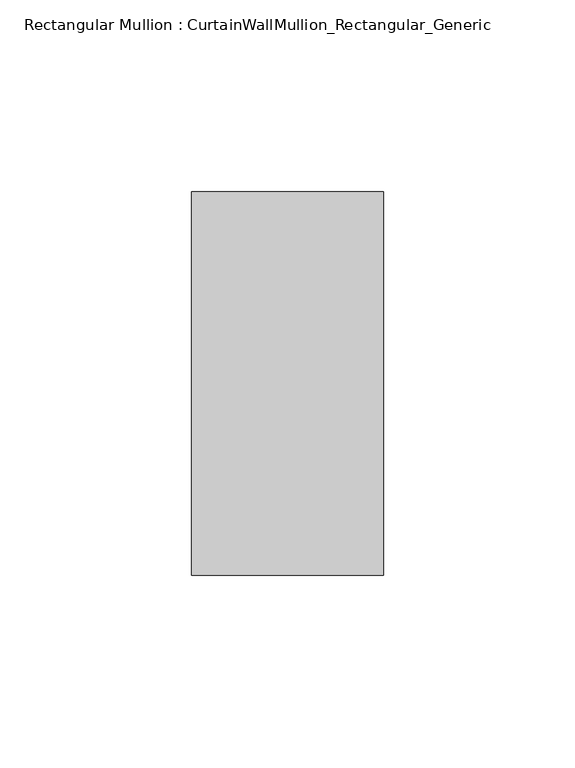
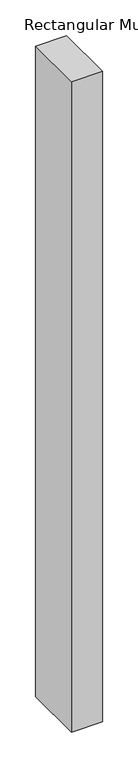
"""IFC4 building model written with IfcOpenShell, lengths in millimetres: member geometry, Rectangular Mullion : CurtainWallMullion_Rectangular_Generic."""

from ifc_helpers import new_model, si_unit, frame, origin, place, context, project, spatial, polyline, outline, extrude, source, transform, mapped, element, save


def rectangular_mullion_curtainwallmullion_rectangular_generic_6bcbf504(model_context):
    return source(origin(), model_context, "Body", "SweptSolid", [
        extrude(outline(polyline([(0.0, 50.0), (0.0, -50.0), (-50.0, -50.0), (-50.0, 50.0), (0.0, 50.0)])), frame((0.0, 0.0, -1109.9999999), z_axis=(0.0, 0.0, 1.0), x_axis=(1.0, 0.0, 0.0)), (0.0, 0.0, 1.0), 1109.9999999),
    ])


if __name__ == "__main__":
    model = new_model("IFC4")
    model_context = context("Model", 3, world=origin())
    ifc_project = project(units=[si_unit("LENGTHUNIT", "METRE", prefix="MILLI")], contexts=[model_context])
    site = spatial("IfcSite", under=ifc_project)
    building = spatial("IfcBuilding", under=site)
    placement = place(None, origin())
    rectangular_mullion_curtainwallmullion_rectangular_generic_shape = rectangular_mullion_curtainwallmullion_rectangular_generic_6bcbf504(model_context)
    element("IfcMember", 1, ObjectType="Rectangular Mullion : CurtainWallMullion_Rectangular_Generic", at=placement, inside=building, context=model_context, shape_type="MappedRepresentation", body=[
        mapped(rectangular_mullion_curtainwallmullion_rectangular_generic_shape, transform((0.0, 0.0, 0.0), x_axis=(1.0, 0.0, 0.0), y_axis=(0.0, 1.0, 0.0), z_axis=(0.0, 0.0, 1.0))),
    ])
    save(model, "model.ifc")
